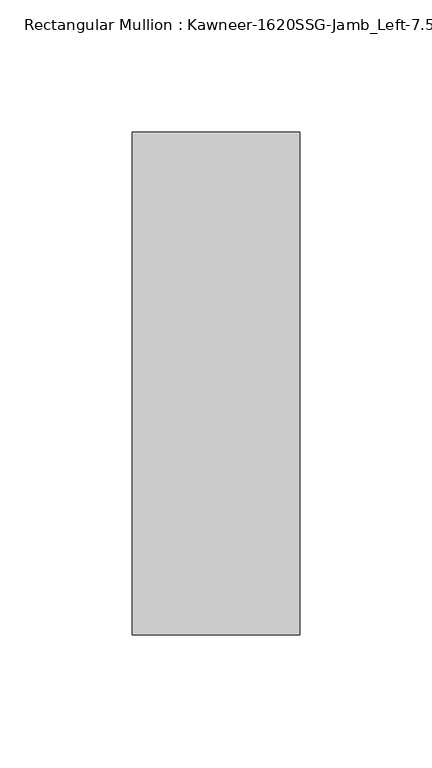
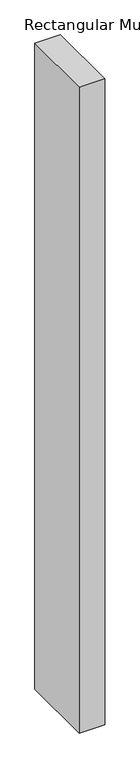
"""IFC4 building model written with IfcOpenShell, lengths in millimetres: member geometry."""

from ifc_helpers import new_model, si_unit, frame, origin, place, context, project, spatial, polyline, outline, extrude, source, transform, mapped, element, save


def member_02821e59(model_context):
    return source(origin(), model_context, "Body", "SweptSolid", [
        extrude(outline(polyline([(22.225, 38.1), (22.225, -152.4), (-41.275, -152.4), (-41.275, 38.1), (22.225, 38.1)])), frame((0.0, 0.0, -1695.45), z_axis=(0.0, 0.0, 1.0), x_axis=(1.0, 0.0, 0.0)), (0.0, 0.0, 1.0), 1695.45),
    ])


if __name__ == "__main__":
    model = new_model("IFC4")
    model_context = context("Model", 3, world=origin())
    ifc_project = project(units=[si_unit("LENGTHUNIT", "METRE", prefix="MILLI")], contexts=[model_context])
    site = spatial("IfcSite", under=ifc_project)
    building = spatial("IfcBuilding", under=site)
    placement = place(None, origin())
    member_shape = member_02821e59(model_context)
    element("IfcMember", 1, ObjectType="Rectangular Mullion : Kawneer-1620SSG-Jamb_Left-7.5\"-1\"Infill", at=placement, inside=building, context=model_context, shape_type="MappedRepresentation", body=[
        mapped(member_shape, transform((0.0, 0.0, 0.0), x_axis=(1.0, 0.0, 0.0), y_axis=(0.0, 1.0, 0.0), z_axis=(0.0, 0.0, 1.0))),
    ])
    save(model, "model.ifc")
